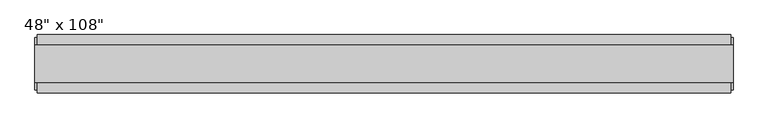
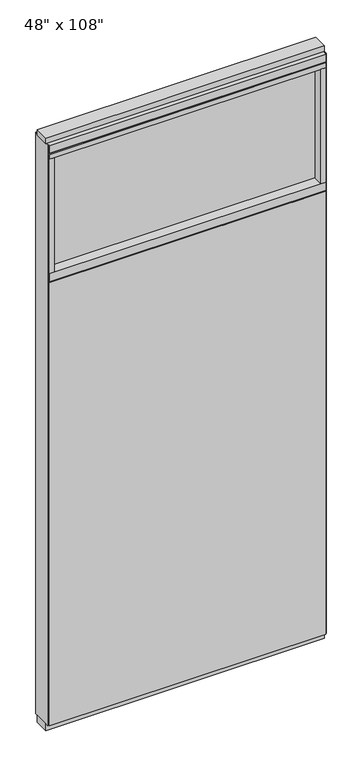
"""IFC4 building model written with IfcOpenShell, lengths in millimetres: furniture geometry."""

import ifcopenshell
import ifcopenshell.guid

model = None  # the IFC model being written
_history = None  # IfcOwnerHistory: only IFC2X3 demands one
_inside = {}  # id of a spatial element -> (the spatial element, [elements in it])
_under = {}  # id of a project, library or spatial element -> (it, [spatial elements below it])
_declared = {}  # id of a project -> (the project, [libraries it declares])
_typed = {}  # id of a type object -> (the type object, [elements of that type])
_made_of = {}  # id of a material, layer set ... -> (it, [elements and type objects made of it])


def new_model(schema):
    """Start an empty IFC model of exactly this schema.

    Asked for "IFC4X3", IfcOpenShell would pick the latest addendum, in which some entities
    have other attributes; the version numbers below select the first issue.
    IFC2X3 requires an IfcOwnerHistory on every rooted entity: one is made here for all.
    """
    global model, _history
    if schema == "IFC4X3":
        model = ifcopenshell.file(schema_version=(4, 3, 0, 0))
    else:
        model = ifcopenshell.file(schema=schema)
    _inside.clear()
    _under.clear()
    _declared.clear()
    _typed.clear()
    _made_of.clear()
    _history = None
    if model.schema == "IFC2X3":
        org = make("IfcOrganization", Name="unknown")
        user = make(
            "IfcPersonAndOrganization",
            ThePerson=make("IfcPerson", FamilyName="unknown"),
            TheOrganization=org,
        )
        app = make(
            "IfcApplication",
            ApplicationDeveloper=org,
            Version="unknown",
            ApplicationFullName="unknown",
            ApplicationIdentifier="unknown",
        )
        _history = make(
            "IfcOwnerHistory",
            OwningUser=user,
            OwningApplication=app,
            ChangeAction="ADDED",
            CreationDate=0,
        )
    return model


def make(cls, **values):
    """One entity of the class cls with the attributes given. An attribute that is None is left unset."""
    return model.create_entity(
        cls, **{name: value for name, value in values.items() if value is not None}
    )


def rooted(cls, **values):
    """An entity with a GlobalId (a new one), such as an element, a storey or a relation."""
    return make(cls, GlobalId=ifcopenshell.guid.new(), OwnerHistory=_history, **values)


def si_unit(unit_type, name, prefix=None):
    """IfcSIUnit, for example si_unit("LENGTHUNIT", "METRE", prefix="MILLI")."""
    return make("IfcSIUnit", UnitType=unit_type, Prefix=prefix, Name=name)


def assignment(units):
    """IfcUnitAssignment: the units of a project."""
    return None if units is None else make("IfcUnitAssignment", Units=units)


def point(xyz):
    """IfcCartesianPoint."""
    return None if xyz is None else make("IfcCartesianPoint", Coordinates=xyz)


def direction(xyz):
    """IfcDirection."""
    return None if xyz is None else make("IfcDirection", DirectionRatios=xyz)


def frame(location, z_axis=None, x_axis=None):
    """IfcAxis2Placement3D, a coordinate frame: its origin and axes. An axis left out is left unset."""
    return make(
        "IfcAxis2Placement3D",
        Location=point(location),
        Axis=direction(z_axis),
        RefDirection=direction(x_axis),
    )


def origin():
    """The frame at (0, 0, 0) with its axes left unset."""
    return frame((0.0, 0.0, 0.0))


def origin_with_axes():
    """The frame at (0, 0, 0) with the z axis (0, 0, 1) and the x axis (1, 0, 0) written out."""
    return frame((0.0, 0.0, 0.0), z_axis=(0.0, 0.0, 1.0), x_axis=(1.0, 0.0, 0.0))


def place(relative_to, where):
    """IfcLocalPlacement: puts the frame where relative to a parent placement (None: the world)."""
    return make(
        "IfcLocalPlacement", PlacementRelTo=relative_to, RelativePlacement=where
    )


def context(
    kind, dimensions, precision=None, world=None, true_north=None, identifier=None
):
    """IfcGeometricRepresentationContext, for example the 3D "Model" context."""
    return make(
        "IfcGeometricRepresentationContext",
        ContextIdentifier=identifier,
        ContextType=kind,
        CoordinateSpaceDimension=dimensions,
        Precision=precision,
        WorldCoordinateSystem=world,
        TrueNorth=true_north,
    )


def project(units=None, contexts=None):
    """IfcProject with its units and contexts."""
    return rooted(
        "IfcProject",
        Name="project",
        RepresentationContexts=contexts,
        UnitsInContext=assignment(units),
    )


def spatial(cls, under=None, at=None, **own):
    """A site, building, storey or space (cls), placed at a placement, below another one or the project."""
    s = rooted(cls, ObjectPlacement=at, **own)
    if under is not None:
        _under.setdefault(under.id(), (under, []))[1].append(s)
    return s


def polyline(points):
    """IfcPolyline through the points."""
    return make("IfcPolyline", Points=[point(p) for p in points])


def outline(outer, holes=None, kind="AREA"):
    """IfcArbitraryClosedProfileDef: a profile drawn as a closed curve; with holes, ...WithVoids."""
    if holes is None:
        return make("IfcArbitraryClosedProfileDef", ProfileType=kind, OuterCurve=outer)
    return make(
        "IfcArbitraryProfileDefWithVoids",
        ProfileType=kind,
        OuterCurve=outer,
        InnerCurves=holes,
    )


def extrude(swept, where, along, depth):
    """IfcExtrudedAreaSolid: the profile swept, set in the frame where, extruded along a direction by depth."""
    return make(
        "IfcExtrudedAreaSolid",
        SweptArea=swept,
        Position=where,
        ExtrudedDirection=direction(along),
        Depth=depth,
    )


def shape(context_of_items, identifier, shape_type, items):
    """IfcShapeRepresentation: the items that make up one representation, for example the "Body"."""
    return make(
        "IfcShapeRepresentation",
        ContextOfItems=context_of_items,
        RepresentationIdentifier=identifier,
        RepresentationType=shape_type,
        Items=items,
    )


def source(mapping_origin, context_of_items, identifier, shape_type, items):
    """IfcRepresentationMap: a shape defined once, which mapped items show again and again."""
    return make(
        "IfcRepresentationMap",
        MappingOrigin=mapping_origin,
        MappedRepresentation=shape(context_of_items, identifier, shape_type, items),
    )


def transform(
    local_origin,
    x_axis=None,
    y_axis=None,
    z_axis=None,
    scale=None,
    scale2=None,
    scale3=None,
    uniform=True,
):
    """IfcCartesianTransformationOperator3D, or its non-uniform kind. x_axis, y_axis, z_axis: its Axis1, 2, 3."""
    if uniform:
        return make(
            "IfcCartesianTransformationOperator3D",
            Axis1=direction(x_axis),
            Axis2=direction(y_axis),
            LocalOrigin=point(local_origin),
            Scale=scale,
            Axis3=direction(z_axis),
        )
    return make(
        "IfcCartesianTransformationOperator3DnonUniform",
        Axis1=direction(x_axis),
        Axis2=direction(y_axis),
        LocalOrigin=point(local_origin),
        Scale=scale,
        Axis3=direction(z_axis),
        Scale2=scale2,
        Scale3=scale3,
    )


def mapped(mapping_source, mapping_target):
    """IfcMappedItem: shows the shape of a source again, moved by a transform."""
    return make(
        "IfcMappedItem", MappingSource=mapping_source, MappingTarget=mapping_target
    )


def made_of(thing, what):
    """Note that an element or type object is made of a material, layer set ...; save() writes the relation."""
    if what is not None:
        _made_of.setdefault(what.id(), (what, []))[1].append(thing)
    return thing


def element(
    cls,
    number,
    at=None,
    inside=None,
    cuts=None,
    type_object=None,
    material=None,
    context=None,
    identifier="Body",
    shape_type=None,
    held_by="IfcProductDefinitionShape",
    body=None,
    shapes=None,
    **own,
):
    """One element of the class cls, such as IfcWall. Its Tag is "e" and its number.

    at: its placement. inside: the storey or other place that contains it. cuts: it is an
    opening in that element (IfcRelVoidsElement). A single representation is given by context,
    identifier, shape_type and body (its items); several are given by shapes. held_by: the class
    of the entity that holds the representations. save() writes the other relations.
    """
    e = rooted(cls, Tag="e%d" % number, ObjectPlacement=at, **own)
    if body is not None:
        shapes = [shape(context, identifier, shape_type, body)]
    if shapes is not None:
        e.Representation = make(held_by, Representations=shapes)
    if inside is not None:
        _inside.setdefault(inside.id(), (inside, []))[1].append(e)
    if cuts is not None:
        rooted(
            "IfcRelVoidsElement", RelatingBuildingElement=cuts, RelatedOpeningElement=e
        )
    if type_object is not None:
        _typed.setdefault(type_object.id(), (type_object, []))[1].append(e)
    return made_of(e, material)


def aggregate(whole, parts):
    """IfcRelAggregates: a whole, such as a stair, and the parts it consists of."""
    return rooted("IfcRelAggregates", RelatingObject=whole, RelatedObjects=parts)


def save(model, path):
    """Write the relations noted so far, then the file.

    IfcRelAggregates (storeys below a building ...), IfcRelContainedInSpatialStructure (elements
    in a storey), IfcRelDefinesByType, IfcRelAssociatesMaterial and IfcRelDeclares: one each for
    every whole, place, type object, material and project.
    """
    for whole, parts in _under.values():
        aggregate(whole, parts)
    for where, things in _inside.values():
        rooted(
            "IfcRelContainedInSpatialStructure",
            RelatedElements=things,
            RelatingStructure=where,
        )
    for kind, things in _typed.values():
        rooted("IfcRelDefinesByType", RelatedObjects=things, RelatingType=kind)
    for what, things in _made_of.values():
        rooted("IfcRelAssociatesMaterial", RelatedObjects=things, RelatingMaterial=what)
    for by, libraries in _declared.values():
        rooted("IfcRelDeclares", RelatingContext=by, RelatedDefinitions=libraries)
    model.write(path)


def furniture_4907bc56(model_context):
    return source(origin(), model_context, "Body", "SweptSolid", [
        extrude(outline(polyline([(545.6264771, -46.2822784), (-665.6995229, -46.2822784), (-665.6995229, -33.5822784), (545.6264771, -33.5822784), (545.6264771, -46.2822784)])), frame((0.0, 0.0, 31.75), z_axis=(0.0, 0.0, 1.0), x_axis=(1.0, 0.0, 0.0)), (0.0, 0.0, 1.0), 2051.05),
        extrude(outline(polyline([(545.6264771, 55.3177216), (545.6264771, 42.6177216), (-665.6995229, 42.6177216), (-665.6995229, 55.3177216), (545.6264771, 55.3177216)])), frame((0.0, 0.0, 31.75), z_axis=(0.0, 0.0, 1.0), x_axis=(1.0, 0.0, 0.0)), (0.0, 0.0, 1.0), 2051.05),
        extrude(outline(polyline([(523.4014771, 9.5977216), (523.4014771, -0.5622784), (-643.4745229, -0.5622784), (-643.4745229, 9.5977216), (523.4014771, 9.5977216)])), frame((0.0, 0.0, 2124.075), z_axis=(0.0, 0.0, 1.0), x_axis=(1.0, 0.0, 0.0)), (0.0, 0.0, 1.0), 530.225),
        extrude(outline(polyline([(523.4014771, 55.3177216), (545.6264771, 55.3177216), (545.6264771, -46.2822784), (523.4014771, -46.2822784), (523.4014771, 55.3177216)])), frame((0.0, 0.0, 2124.075), z_axis=(0.0, 0.0, 1.0), x_axis=(1.0, 0.0, 0.0)), (0.0, 0.0, 1.0), 530.225),
        extrude(outline(polyline([(55.3177216, 2087.753), (50.3647216, 2087.753), (50.3647216, 2082.8), (-41.3292784, 2082.8), (-41.3292784, 2087.753), (-46.2822784, 2087.753), (-46.2822784, 2124.075), (55.3177216, 2124.075), (55.3177216, 2087.753)])), frame((-665.6995229, 0.0, 0.0), z_axis=(1.0, 0.0, 0.0), x_axis=(0.0, 1.0, 0.0)), (0.0, 0.0, 1.0), 1211.326),
        extrude(outline(polyline([(-643.4745229, 55.3177216), (-643.4745229, -46.2822784), (-665.6995229, -46.2822784), (-665.6995229, 55.3177216), (-643.4745229, 55.3177216)])), frame((0.0, 0.0, 2124.075), z_axis=(0.0, 0.0, 1.0), x_axis=(1.0, 0.0, 0.0)), (0.0, 0.0, 1.0), 530.225),
        extrude(outline(polyline([(549.5634771, -27.9942784), (-669.6365229, -27.9942784), (-669.6365229, 37.0297216), (549.5634771, 37.0297216), (549.5634771, -27.9942784)])), origin_with_axes(), (0.0, 0.0, 1.0), 31.75),
        extrude(outline(polyline([(-669.6365229, 37.0297216), (549.5634771, 37.0297216), (549.5634771, -27.9942784), (-669.6365229, -27.9942784), (-669.6365229, 37.0297216)])), frame((0.0, 0.0, 2717.8), z_axis=(0.0, 0.0, 1.0), x_axis=(1.0, 0.0, 0.0)), (0.0, 0.0, 1.0), 25.4),
        extrude(outline(polyline([(55.3177216, 2681.478), (50.3647216, 2681.478), (50.3647216, 2676.525), (-41.3292784, 2676.525), (-41.3292784, 2681.478), (-46.2822784, 2681.478), (-46.2822784, 2717.8), (55.3177216, 2717.8), (55.3177216, 2681.478)])), frame((-665.6995229, 0.0, 0.0), z_axis=(1.0, 0.0, 0.0), x_axis=(0.0, 1.0, 0.0)), (0.0, 0.0, 1.0), 1211.326),
        extrude(outline(polyline([(545.6264771, -46.2822784), (-665.6995229, -46.2822784), (-665.6995229, 55.3177216), (545.6264771, 55.3177216), (545.6264771, -46.2822784)])), frame((0.0, 0.0, 2654.3), z_axis=(0.0, 0.0, 1.0), x_axis=(1.0, 0.0, 0.0)), (0.0, 0.0, 1.0), 22.225),
        extrude(outline(polyline([(549.5634771, 50.3647216), (549.5634771, -41.3292784), (545.6264771, -41.3292784), (545.6264771, 50.3647216), (549.5634771, 50.3647216)])), frame((0.0, 0.0, 31.75), z_axis=(0.0, 0.0, 1.0), x_axis=(1.0, 0.0, 0.0)), (0.0, 0.0, 1.0), 2686.05),
        extrude(outline(polyline([(-669.6365229, 50.3647216), (-665.6995229, 50.3647216), (-665.6995229, -41.3292784), (-669.6365229, -41.3292784), (-669.6365229, 50.3647216)])), frame((0.0, 0.0, 31.75), z_axis=(0.0, 0.0, 1.0), x_axis=(1.0, 0.0, 0.0)), (0.0, 0.0, 1.0), 2686.05),
    ])


if __name__ == "__main__":
    model = new_model("IFC4")
    model_context = context("Model", 3, world=origin())
    ifc_project = project(units=[si_unit("LENGTHUNIT", "METRE", prefix="MILLI")], contexts=[model_context])
    site = spatial("IfcSite", under=ifc_project)
    building = spatial("IfcBuilding", under=site)
    placement = place(None, origin())
    furniture_shape = furniture_4907bc56(model_context)
    element("IfcFurniture", 1, ObjectType="48\" x 108\"", at=placement, inside=building, context=model_context, shape_type="MappedRepresentation", body=[
        mapped(furniture_shape, transform((0.0, 0.0, 0.0), x_axis=(1.0, 0.0, 0.0), y_axis=(0.0, 1.0, 0.0), z_axis=(0.0, 0.0, 1.0))),
    ])
    save(model, "model.ifc")
